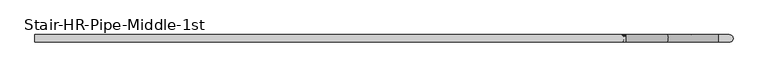
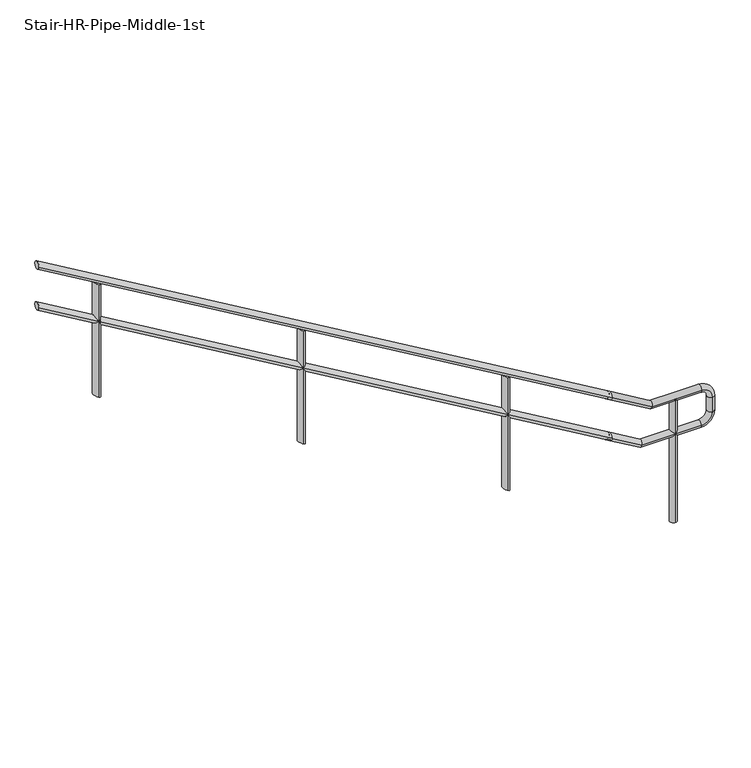
"""IFC4 building model written with IfcOpenShell, lengths in millimetres: railing geometry, Stair-HR-Pipe-Middle-1st."""

from ifc_helpers import new_model, si_unit, point, frame, frame_2d, origin, place, context, project, spatial, circle_curve, ellipse_curve, trimmed, segment, composite_curve, outline, extrude, source, transform, mapped, element, save
from ifc_brep_helpers import plane_surface, cylinder_surface, revolved_surface, advanced_brep


def stair_hr_pipe_middle_1st_7b30e265(model_context):
    return source(origin(), model_context, "Body", "SolidModel", [
        advanced_brep(
        [(27946.8873038, -27960.7186232, 1051.4951059), (27946.8873038, -28008.9389357, 1051.4951059), (24035.2873038, -27960.7186232, 3362.8951059), (24035.2873038, -28008.9389357, 3362.8951059)],
        [
            (0, 1, ellipse_curve(frame((27946.8873038, -27984.8287794, 1051.4951059), z_axis=(1.0, 0.0, 0.0), x_axis=(0.0, 0.0, -1.0)), 28.0048941, 24.1101562)),
            (1, 0, ellipse_curve(frame((27946.8873038, -27984.8287794, 1051.4951059), z_axis=(1.0, 0.0, 0.0), x_axis=(0.0, 0.0, -1.0)), 28.0048941, 24.1101562)),
            (2, 3, ellipse_curve(frame((24035.2873038, -27984.8287794, 3362.8951059), z_axis=(-1.0, 0.0, 0.0), x_axis=(0.0, 0.0, -1.0)), 28.0048941, 24.1101562)),
            (3, 2, ellipse_curve(frame((24035.2873038, -27984.8287794, 3362.8951059), z_axis=(-1.0, 0.0, 0.0), x_axis=(0.0, 0.0, -1.0)), 28.0048941, 24.1101562)),
            (0, 2),
            (3, 1),
        ],
        [
            plane_surface(frame((27946.8873038, -27984.8287794, 1079.5), z_axis=(1.0, 0.0, 0.0), x_axis=(0.0, -1.0, 0.0))),
            plane_surface(frame((24035.2873038, -27984.8287794, 3390.9), z_axis=(-1.0, 0.0, 0.0), x_axis=(0.0, -1.0, 0.0))),
            cylinder_surface(frame((27934.6217606, -27984.8287794, 1058.7429269), z_axis=(0.8609265282143154, 0.0, -0.5087293121266414), x_axis=(0.0, -1.0, 0.0)), 24.1101562),
        ],
        [
            (0, [[1, 2]]),
            (1, [[3, 4]]),
            (2, [[-1, 5, -4, 6]]),
            (2, [[-2, -6, -3, -5]]),
        ],
    ),
        advanced_brep(
        [(27946.8873038, -27960.7186232, 756.6169809), (27946.8873038, -28008.9389357, 756.6169809), (24035.2873038, -27960.7186232, 3068.0169809), (24035.2873038, -28008.9389357, 3068.0169809)],
        [
            (0, 1, ellipse_curve(frame((27946.8873038, -27984.8287794, 756.6169809), z_axis=(1.0, 0.0, 0.0), x_axis=(0.0, 0.0, -1.0)), 28.0048941, 24.1101562)),
            (1, 0, ellipse_curve(frame((27946.8873038, -27984.8287794, 756.6169809), z_axis=(1.0, 0.0, 0.0), x_axis=(0.0, 0.0, -1.0)), 28.0048941, 24.1101562)),
            (2, 3, ellipse_curve(frame((24035.2873038, -27984.8287794, 3068.0169809), z_axis=(-1.0, 0.0, 0.0), x_axis=(0.0, 0.0, -1.0)), 28.0048941, 24.1101562)),
            (3, 2, ellipse_curve(frame((24035.2873038, -27984.8287794, 3068.0169809), z_axis=(-1.0, 0.0, 0.0), x_axis=(0.0, 0.0, -1.0)), 28.0048941, 24.1101562)),
            (0, 2),
            (3, 1),
        ],
        [
            plane_surface(frame((27946.8873038, -27984.8287794, 784.621875), z_axis=(1.0, 0.0, 0.0), x_axis=(0.0, -1.0, 0.0))),
            plane_surface(frame((24035.2873038, -27984.8287794, 3096.021875), z_axis=(-1.0, 0.0, 0.0), x_axis=(0.0, -1.0, 0.0))),
            cylinder_surface(frame((27934.6217606, -27984.8287794, 763.8648019), z_axis=(0.8609265282143154, 0.0, -0.5087293121266415), x_axis=(0.0, -1.0, 0.0)), 24.1101562),
        ],
        [
            (0, [[1, 2]]),
            (1, [[3, 4]]),
            (2, [[-1, 5, -4, 6]]),
            (2, [[-2, -6, -3, -5]]),
        ],
    ),
        advanced_brep(
        [(24441.6873038, -28008.9389357, 3094.7447573), (24441.6873038, -27960.7186232, 3094.7447573), (24441.6873038, -27960.7186232, 2281.9726158), (24441.6873038, -28008.9389357, 2281.9726158)],
        [
            (0, 1, ellipse_curve(frame((24441.6873038, -27984.8287794, 3094.7447573), z_axis=(-0.5087293121266412, 0.0, -0.8609265282143156), x_axis=(-0.8609265282143156, 0.0, 0.5087293121266407)), 28.0048941, 24.1101562)),
            (1, 2),
            (2, 3, ellipse_curve(frame((24441.6873038, -27984.8287794, 2281.9726158), z_axis=(0.5087293121266413, 0.0, 0.8609265282143154), x_axis=(-0.8609265282143155, 0.0, 0.5087293121266414)), 28.0048941, 24.1101562)),
            (3, 0),
            (3, 2, ellipse_curve(frame((24441.6873038, -27984.8287794, 2281.9726158), z_axis=(0.5087293121266413, 0.0, 0.8609265282143154), x_axis=(-0.8609265282143155, 0.0, 0.5087293121266414)), 28.0048941, 24.1101562)),
            (1, 0, ellipse_curve(frame((24441.6873038, -27984.8287794, 3094.7447573), z_axis=(-0.5087293121266412, 0.0, -0.8609265282143156), x_axis=(-0.8609265282143156, 0.0, 0.5087293121266407)), 28.0048941, 24.1101562)),
        ],
        [
            cylinder_surface(frame((24441.6873038, -27984.8287794, 2053.3726158), z_axis=(0.0, 0.0, 1.0), x_axis=(0.0, 1.0, 0.0)), 24.1101562),
            plane_surface(frame((24393.4669913, -27936.6084669, 3123.2385783), z_axis=(0.5087293121266412, 0.0, 0.8609265282143156), x_axis=(0.0, -1.0, 0.0))),
            plane_surface(frame((24489.9076163, -27936.6084669, 2253.4787947), z_axis=(-0.5087293121266413, 0.0, -0.8609265282143154), x_axis=(0.0, -1.0, 0.0))),
        ],
        [
            (0, [[1, 2, 3, 4]]),
            (0, [[5, -2, 6, -4]]),
            (1, [[-6, -1]]),
            (2, [[-5, -3]]),
        ],
    ),
        advanced_brep(
        [(25838.6873038, -28008.9389357, 2269.2447573), (25838.6873038, -27960.7186232, 2269.2447573), (25838.6873038, -27960.7186232, 1456.4726158), (25838.6873038, -28008.9389357, 1456.4726158)],
        [
            (0, 1, ellipse_curve(frame((25838.6873038, -27984.8287794, 2269.2447573), z_axis=(-0.5087293121266412, 0.0, -0.8609265282143156), x_axis=(-0.8609265282143156, 0.0, 0.5087293121266407)), 28.0048941, 24.1101562)),
            (1, 2),
            (2, 3, ellipse_curve(frame((25838.6873038, -27984.8287794, 1456.4726158), z_axis=(0.5087293121266413, 0.0, 0.8609265282143154), x_axis=(-0.8609265282143155, 0.0, 0.5087293121266414)), 28.0048941, 24.1101562)),
            (3, 0),
            (3, 2, ellipse_curve(frame((25838.6873038, -27984.8287794, 1456.4726158), z_axis=(0.5087293121266413, 0.0, 0.8609265282143154), x_axis=(-0.8609265282143155, 0.0, 0.5087293121266414)), 28.0048941, 24.1101562)),
            (1, 0, ellipse_curve(frame((25838.6873038, -27984.8287794, 2269.2447573), z_axis=(-0.5087293121266412, 0.0, -0.8609265282143156), x_axis=(-0.8609265282143156, 0.0, 0.5087293121266407)), 28.0048941, 24.1101562)),
        ],
        [
            cylinder_surface(frame((25838.6873038, -27984.8287794, 1227.8726158), z_axis=(0.0, 0.0, 1.0), x_axis=(0.0, 1.0, 0.0)), 24.1101562),
            plane_surface(frame((25790.4669913, -27936.6084669, 2297.7385783), z_axis=(0.5087293121266412, 0.0, 0.8609265282143156), x_axis=(0.0, -1.0, 0.0))),
            plane_surface(frame((25886.9076163, -27936.6084669, 1427.9787947), z_axis=(-0.5087293121266413, 0.0, -0.8609265282143154), x_axis=(0.0, -1.0, 0.0))),
        ],
        [
            (0, [[1, 2, 3, 4]]),
            (0, [[5, -2, 6, -4]]),
            (1, [[-6, -1]]),
            (2, [[-5, -3]]),
        ],
    ),
        advanced_brep(
        [(27235.6873038, -28008.9389357, 1443.7447573), (27235.6873038, -27960.7186232, 1443.7447573), (27235.6873038, -27960.7186232, 630.9726158), (27235.6873038, -28008.9389357, 630.9726158)],
        [
            (0, 1, ellipse_curve(frame((27235.6873038, -27984.8287794, 1443.7447573), z_axis=(-0.5087293121266412, 0.0, -0.8609265282143156), x_axis=(-0.8609265282143156, 0.0, 0.5087293121266407)), 28.0048941, 24.1101562)),
            (1, 2),
            (2, 3, ellipse_curve(frame((27235.6873038, -27984.8287794, 630.9726158), z_axis=(0.5087293121266413, 0.0, 0.8609265282143154), x_axis=(-0.8609265282143155, 0.0, 0.5087293121266414)), 28.0048941, 24.1101562)),
            (3, 0),
            (3, 2, ellipse_curve(frame((27235.6873038, -27984.8287794, 630.9726158), z_axis=(0.5087293121266413, 0.0, 0.8609265282143154), x_axis=(-0.8609265282143155, 0.0, 0.5087293121266414)), 28.0048941, 24.1101562)),
            (1, 0, ellipse_curve(frame((27235.6873038, -27984.8287794, 1443.7447573), z_axis=(-0.5087293121266412, 0.0, -0.8609265282143156), x_axis=(-0.8609265282143156, 0.0, 0.5087293121266407)), 28.0048941, 24.1101562)),
        ],
        [
            cylinder_surface(frame((27235.6873038, -27984.8287794, 402.3726158), z_axis=(0.0, 0.0, 1.0), x_axis=(0.0, 1.0, 0.0)), 24.1101562),
            plane_surface(frame((27187.4669913, -27936.6084669, 1472.2385783), z_axis=(0.5087293121266412, 0.0, 0.8609265282143156), x_axis=(0.0, -1.0, 0.0))),
            plane_surface(frame((27283.9076163, -27936.6084669, 602.4787947), z_axis=(-0.5087293121266413, 0.0, -0.8609265282143154), x_axis=(0.0, -1.0, 0.0))),
        ],
        [
            (0, [[1, 2, 3, 4]]),
            (0, [[5, -2, 6, -4]]),
            (1, [[-6, -1]]),
            (2, [[-5, -3]]),
        ],
    ),
        advanced_brep(
        [(27921.4873038, -27960.6987794, 1066.481643), (27921.4873038, -28008.9587794, 1066.481643), (28219.6962133, -28008.9587794, 890.2672865), (28219.6962133, -27960.6987794, 890.2672865), (28557.7771475, -28008.9587794, 890.2672865), (28557.7771475, -27960.6987794, 890.2672865), (28632.6873038, -28008.9587794, 815.3571302), (28632.6873038, -27960.6987794, 815.3571302), (28632.6873038, -28008.9587794, 711.1774427), (28632.6873038, -27960.6987794, 711.1774427), (28557.7771475, -28008.9587794, 636.2672865), (28557.7771475, -27960.6987794, 636.2672865), (28150.2591647, -28008.9587794, 636.2672865), (28150.2591647, -27960.6987794, 636.2672865), (27921.4873038, -27960.6987794, 771.4506595), (27921.4873038, -28008.9587794, 771.4506595)],
        [
            (0, 1, circle_curve(frame((27921.4873038, -27984.8287794, 1066.481643), z_axis=(-0.8609265270821448, 0.0, 0.5087293140426223), x_axis=(0.0, -1.0, 0.0)), 24.13)),
            (1, 0, circle_curve(frame((27921.4873038, -27984.8287794, 1066.481643), z_axis=(-0.8609265270821448, 0.0, 0.5087293140426223), x_axis=(0.0, -1.0, 0.0)), 24.13)),
            (1, 2),
            (2, 3, ellipse_curve(frame((28219.6962133, -27984.8287794, 890.2672865), z_axis=(-0.9646052371520029, 0.0, 0.2636981919902533), x_axis=(0.26369819199025385, 0.0, 0.9646052371520026)), 25.0154147, 24.13)),
            (3, 0),
            (3, 2, ellipse_curve(frame((28219.6962133, -27984.8287794, 890.2672865), z_axis=(-0.9646052371520029, 0.0, 0.2636981919902533), x_axis=(0.26369819199025385, 0.0, 0.9646052371520026)), 25.0154147, 24.13)),
            (2, 4),
            (4, 5, circle_curve(frame((28557.7771475, -27984.8287794, 890.2672865), z_axis=(-1.0, 0.0, 0.0), x_axis=(0.0, -1.0, 0.0)), 24.13)),
            (5, 3),
            (5, 4, circle_curve(frame((28557.7771475, -27984.8287794, 890.2672865), z_axis=(-1.0, 0.0, 0.0), x_axis=(0.0, -1.0, 0.0)), 24.13)),
            (6, 7, circle_curve(frame((28632.6873038, -27984.8287794, 815.3571302), z_axis=(0.0, 0.0, 1.0), x_axis=(0.0, -1.0, 0.0)), 24.13)),
            (7, 5, circle_curve(frame((28557.7771475, -27960.6987794, 815.3571302), z_axis=(0.0, -1.0, 0.0), x_axis=(0.0, 0.0, 1.0)), 74.9101562)),
            (4, 6, circle_curve(frame((28557.7771475, -28008.9587794, 815.3571302), z_axis=(0.0, 1.0, 0.0), x_axis=(0.0, 0.0, 1.0)), 74.9101563)),
            (7, 6, circle_curve(frame((28632.6873038, -27984.8287794, 815.3571302), z_axis=(0.0, 0.0, 1.0), x_axis=(0.0, -1.0, 0.0)), 24.13)),
            (6, 8),
            (8, 9, circle_curve(frame((28632.6873038, -27984.8287794, 711.1774427), z_axis=(0.0, 0.0, 1.0), x_axis=(0.0, -1.0, 0.0)), 24.13)),
            (9, 7),
            (9, 8, circle_curve(frame((28632.6873038, -27984.8287794, 711.1774427), z_axis=(0.0, 0.0, 1.0), x_axis=(0.0, -1.0, 0.0)), 24.13)),
            (10, 11, circle_curve(frame((28557.7771475, -27984.8287794, 636.2672865), z_axis=(1.0, 0.0, 0.0), x_axis=(0.0, -1.0, 0.0)), 24.13)),
            (11, 9, circle_curve(frame((28557.7771475, -27960.6987794, 711.1774427), z_axis=(0.0, -1.0, 0.0), x_axis=(1.0, 0.0, 0.0)), 74.9101562)),
            (8, 10, circle_curve(frame((28557.7771475, -28008.9587794, 711.1774427), z_axis=(0.0, 1.0, 0.0), x_axis=(1.0, 0.0, 0.0)), 74.9101562)),
            (11, 10, circle_curve(frame((28557.7771475, -27984.8287794, 636.2672865), z_axis=(1.0, 0.0, 0.0), x_axis=(0.0, -1.0, 0.0)), 24.13)),
            (10, 12),
            (12, 13, ellipse_curve(frame((28150.2591647, -27984.8287794, 636.2672865), z_axis=(0.9646052371520029, 0.0, -0.2636981919902534), x_axis=(0.2636981919902525, 0.0, 0.9646052371520031)), 25.0154147, 24.13)),
            (13, 11),
            (13, 12, ellipse_curve(frame((28150.2591647, -27984.8287794, 636.2672865), z_axis=(0.9646052371520029, 0.0, -0.2636981919902534), x_axis=(0.2636981919902525, 0.0, 0.9646052371520031)), 25.0154147, 24.13)),
            (14, 15, circle_curve(frame((27921.4873038, -27984.8287794, 771.4506595), z_axis=(-0.8609265270821448, 0.0, 0.5087293140426226), x_axis=(0.0, -1.0, 0.0)), 24.13)),
            (15, 14, circle_curve(frame((27921.4873038, -27984.8287794, 771.4506595), z_axis=(-0.8609265270821448, 0.0, 0.5087293140426226), x_axis=(0.0, -1.0, 0.0)), 24.13)),
            (12, 15),
            (14, 13),
        ],
        [
            plane_surface(frame((27921.4873038, -27984.8287794, 1066.481643), z_axis=(-0.8609265270821448, 0.0, 0.5087293140426223), x_axis=(0.0, 1.0, 0.0))),
            cylinder_surface(frame((27921.4873038, -27984.8287794, 1066.481643), z_axis=(-0.8609265270821448, 0.0, 0.5087293140426223), x_axis=(0.0, -1.0, 0.0)), 24.13),
            cylinder_surface(frame((28219.6962133, -27984.8287794, 890.2672865), z_axis=(-1.0, 0.0, 0.0), x_axis=(0.0, -1.0, 0.0)), 24.13),
            revolved_surface(trimmed(ellipse_curve(frame((28557.7771475, -27984.8287794, 890.2672865), z_axis=(1.0, 0.0, 0.0), x_axis=(0.0, -1.0, 0.0)), 24.13, 24.13), [point((28557.7771475, -27960.6987794, 890.2672865))], [point((28557.7771475, -28008.9587794, 890.2672865))], True, "CARTESIAN"), (28557.7771475, -27984.8287794, 815.3571302), (0.0, -1.0, 0.0)),
            revolved_surface(trimmed(ellipse_curve(frame((28557.7771475, -27984.8287794, 890.2672865), z_axis=(1.0, 0.0, 0.0), x_axis=(0.0, -1.0, 0.0)), 24.13, 24.13), [point((28557.7771475, -28008.9587794, 890.2672865))], [point((28557.7771475, -27960.6987794, 890.2672865))], True, "CARTESIAN"), (28557.7771475, -27984.8287794, 815.3571302), (0.0, -1.0, 0.0)),
            cylinder_surface(frame((28632.6873038, -27984.8287794, 815.3571302), z_axis=(0.0, 0.0, 1.0), x_axis=(0.0, -1.0, 0.0)), 24.13),
            revolved_surface(trimmed(ellipse_curve(frame((28632.6873038, -27984.8287794, 711.1774427), z_axis=(0.0, 0.0, -1.0), x_axis=(0.0, -1.0, 0.0)), 24.13, 24.13), [point((28632.6873038, -27960.6987794, 711.1774427))], [point((28632.6873038, -28008.9587794, 711.1774427))], True, "CARTESIAN"), (28557.7771475, -27984.8287794, 711.1774427), (0.0, -1.0, 0.0)),
            revolved_surface(trimmed(ellipse_curve(frame((28632.6873038, -27984.8287794, 711.1774427), z_axis=(0.0, 0.0, -1.0), x_axis=(0.0, -1.0, 0.0)), 24.13, 24.13), [point((28632.6873038, -28008.9587794, 711.1774427))], [point((28632.6873038, -27960.6987794, 711.1774427))], True, "CARTESIAN"), (28557.7771475, -27984.8287794, 711.1774427), (0.0, -1.0, 0.0)),
            cylinder_surface(frame((28557.7771475, -27984.8287794, 636.2672865), z_axis=(1.0, 0.0, 0.0), x_axis=(0.0, -1.0, 0.0)), 24.13),
            plane_surface(frame((27921.4873038, -27984.8287794, 771.4506595), z_axis=(-0.8609265270821447, 0.0, 0.5087293140426226), x_axis=(0.0, 1.0, 0.0))),
            cylinder_surface(frame((28150.2591647, -27984.8287794, 636.2672865), z_axis=(0.8609265270821448, 0.0, -0.5087293140426226), x_axis=(0.0, -1.0, 0.0)), 24.13),
        ],
        [
            (0, [[1, 2]]),
            (1, [[3, 4, 5, -2]]),
            (1, [[-5, 6, -3, -1]]),
            (2, [[7, 8, 9, -4]]),
            (2, [[-9, 10, -7, -6]]),
            (3, [[11, 12, -8, 13]]),
            (4, [[14, -13, -10, -12]]),
            (5, [[15, 16, 17, -11]]),
            (5, [[-17, 18, -15, -14]]),
            (6, [[19, 20, -16, 21]]),
            (7, [[22, -21, -18, -20]]),
            (8, [[23, 24, 25, -19]]),
            (8, [[-25, 26, -23, -22]]),
            (9, [[27, 28]]),
            (10, [[29, -27, 30, -24]]),
            (10, [[-30, -28, -29, -26]]),
        ],
    ),
        extrude(outline(composite_curve([segment(trimmed(circle_curve(frame_2d((28378.6873038, -27984.8287794)), 24.13), [point((28378.6873038, -28008.9587794))], [point((28378.6873038, -27960.6987794))], False, "CARTESIAN"), True, "CONTINUOUS"), segment(trimmed(circle_curve(frame_2d((28378.6873038, -27984.8287794)), 24.13), [point((28378.6873038, -27960.6987794))], [point((28378.6873038, -28008.9587794))], False, "CARTESIAN"), True, "CONTINUOUS")], self_intersect=False)), frame((0.0, 0.0, -0.0225547), z_axis=(0.0, 0.0, 1.0), x_axis=(1.0, 0.0, 0.0)), (0.0, 0.0, 1.0), 890.2898412),
    ])


if __name__ == "__main__":
    model = new_model("IFC4")
    model_context = context("Model", 3, world=origin())
    ifc_project = project(units=[si_unit("LENGTHUNIT", "METRE", prefix="MILLI")], contexts=[model_context])
    site = spatial("IfcSite", under=ifc_project)
    building = spatial("IfcBuilding", under=site)
    placement = place(None, origin())
    stair_hr_pipe_middle_1st_shape = stair_hr_pipe_middle_1st_7b30e265(model_context)
    element("IfcRailing", 1, ObjectType="Stair-HR-Pipe-Middle-1st", at=placement, inside=building, context=model_context, shape_type="MappedRepresentation", body=[
        mapped(stair_hr_pipe_middle_1st_shape, transform((0.0, 0.0, 0.0), x_axis=(1.0, 0.0, 0.0), y_axis=(0.0, 1.0, 0.0), z_axis=(0.0, 0.0, 1.0))),
    ])
    save(model, "model.ifc")
